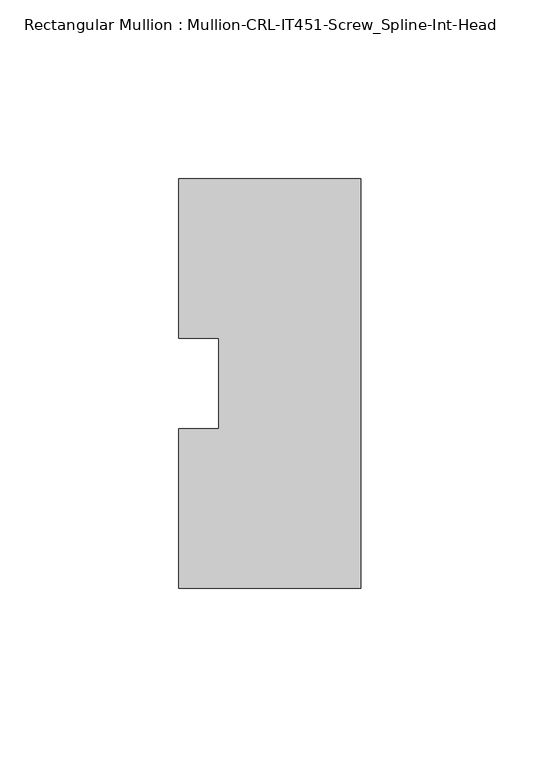
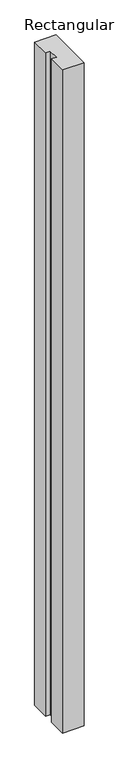
"""IFC4 building model written with IfcOpenShell, lengths in millimetres: member geometry, Rectangular Mullion : Mullion-CRL-IT451-Screw_Spline-Int-Head."""

from ifc_helpers import new_model, si_unit, frame, origin, place, context, project, spatial, polyline, outline, extrude, source, transform, mapped, element, save


def rectangular_mullion_mullion_crl_it451_screw_spline_int_head_270ee7e1(model_context):
    return source(origin(), model_context, "Body", "SweptSolid", [
        extrude(outline(polyline([(0.0, -57.15), (-50.8, -57.15), (-50.8, -12.7), (-39.6875, -12.7), (-39.6875, 12.7), (-50.8, 12.7), (-50.8, 57.15), (0.0, 57.15), (0.0, -57.15)])), frame((0.0, 0.0, -1657.3499516), z_axis=(0.0, 0.0, 1.0), x_axis=(1.0, 0.0, 0.0)), (0.0, 0.0, 1.0), 1657.3499516),
    ])


if __name__ == "__main__":
    model = new_model("IFC4")
    model_context = context("Model", 3, world=origin())
    ifc_project = project(units=[si_unit("LENGTHUNIT", "METRE", prefix="MILLI")], contexts=[model_context])
    site = spatial("IfcSite", under=ifc_project)
    building = spatial("IfcBuilding", under=site)
    placement = place(None, origin())
    rectangular_mullion_mullion_crl_it451_screw_spline_int_head_shape = rectangular_mullion_mullion_crl_it451_screw_spline_int_head_270ee7e1(model_context)
    element("IfcMember", 1, ObjectType="Rectangular Mullion : Mullion-CRL-IT451-Screw_Spline-Int-Head", at=placement, inside=building, context=model_context, shape_type="MappedRepresentation", body=[
        mapped(rectangular_mullion_mullion_crl_it451_screw_spline_int_head_shape, transform((0.0, 0.0, 0.0), x_axis=(1.0, 0.0, 0.0), y_axis=(0.0, 1.0, 0.0), z_axis=(0.0, 0.0, 1.0))),
    ])
    save(model, "model.ifc")
